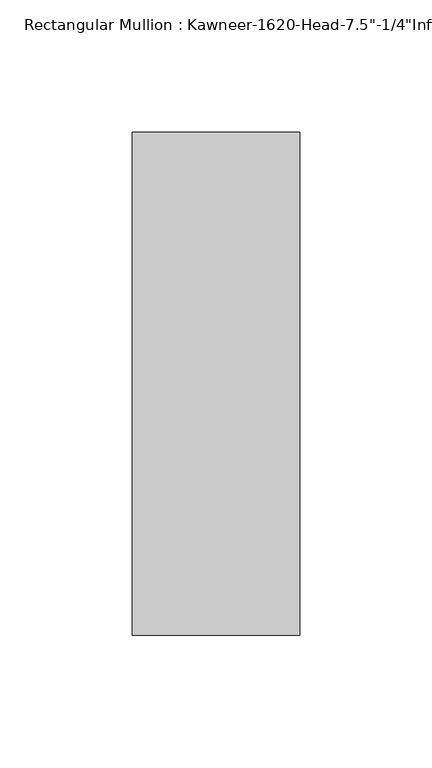
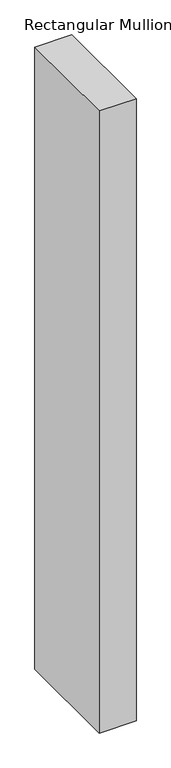
"""IFC4 building model written with IfcOpenShell, lengths in millimetres: member geometry."""

from ifc_helpers import new_model, si_unit, frame, origin, place, context, project, spatial, polyline, outline, extrude, source, transform, mapped, element, save


def member_f773f5c1(model_context):
    return source(origin(), model_context, "Body", "SweptSolid", [
        extrude(outline(polyline([(-63.5, 28.575), (0.0, 28.575), (0.0, -161.925), (-63.5, -161.925), (-63.5, 28.575)])), frame((0.0, 0.0, -1128.7125), z_axis=(0.0, 0.0, 1.0), x_axis=(1.0, 0.0, 0.0)), (0.0, 0.0, 1.0), 1128.7125),
    ])


if __name__ == "__main__":
    model = new_model("IFC4")
    model_context = context("Model", 3, world=origin())
    ifc_project = project(units=[si_unit("LENGTHUNIT", "METRE", prefix="MILLI")], contexts=[model_context])
    site = spatial("IfcSite", under=ifc_project)
    building = spatial("IfcBuilding", under=site)
    placement = place(None, origin())
    member_shape = member_f773f5c1(model_context)
    element("IfcMember", 1, ObjectType="Rectangular Mullion : Kawneer-1620-Head-7.5\"-1/4\"Infill-1C", at=placement, inside=building, context=model_context, shape_type="MappedRepresentation", body=[
        mapped(member_shape, transform((0.0, 0.0, 0.0), x_axis=(1.0, 0.0, 0.0), y_axis=(0.0, 1.0, 0.0), z_axis=(0.0, 0.0, 1.0))),
    ])
    save(model, "model.ifc")
